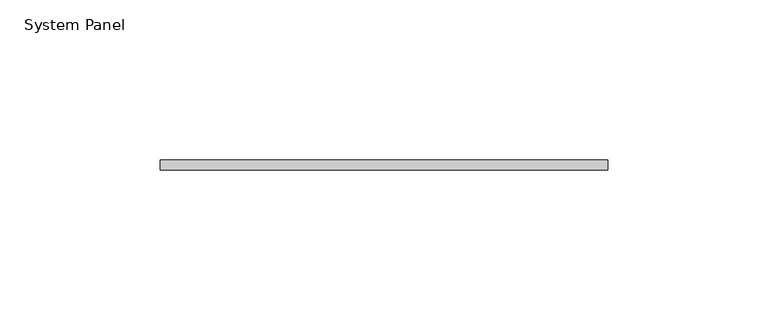
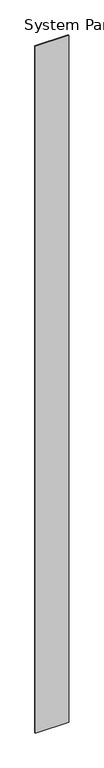
"""IFC4 building model written with IfcOpenShell, lengths in millimetres: plate geometry, System Panel."""

from ifc_helpers import new_model, si_unit, origin, origin_with_axes, place, context, project, spatial, polyline, outline, extrude, source, transform, mapped, element, save


def system_panel_518c2a09(model_context):
    return source(origin(), model_context, "Body", "SweptSolid", [
        extrude(outline(polyline([(69.85, 0.0), (-69.85, 0.0), (-69.85, 3.175), (69.85, 3.175), (69.85, 0.0)])), origin_with_axes(), (0.0, 0.0, 1.0), 3048.0),
    ])


if __name__ == "__main__":
    model = new_model("IFC4")
    model_context = context("Model", 3, world=origin())
    ifc_project = project(units=[si_unit("LENGTHUNIT", "METRE", prefix="MILLI")], contexts=[model_context])
    site = spatial("IfcSite", under=ifc_project)
    building = spatial("IfcBuilding", under=site)
    placement = place(None, origin())
    system_panel_shape = system_panel_518c2a09(model_context)
    element("IfcPlate", 1, ObjectType="System Panel", at=placement, inside=building, context=model_context, shape_type="MappedRepresentation", body=[
        mapped(system_panel_shape, transform((0.0, 0.0, 0.0), x_axis=(1.0, 0.0, 0.0), y_axis=(0.0, 1.0, 0.0), z_axis=(0.0, 0.0, 1.0))),
    ])
    save(model, "model.ifc")
